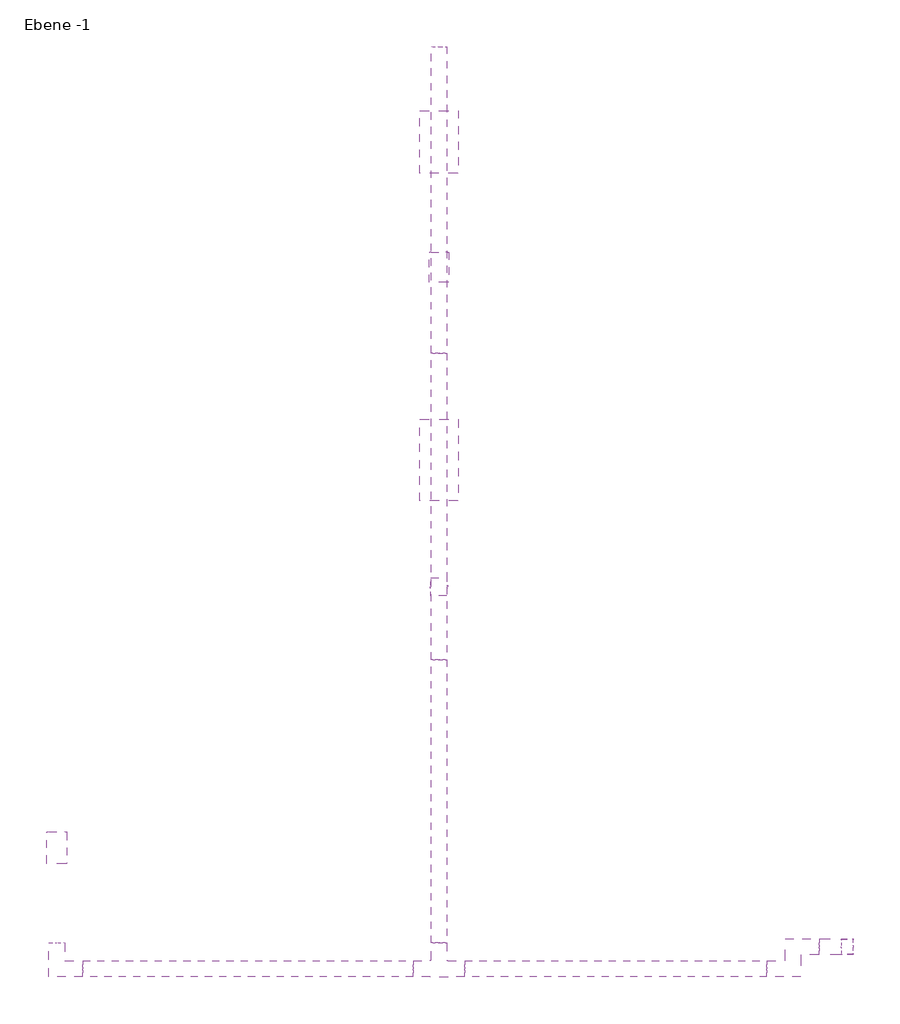
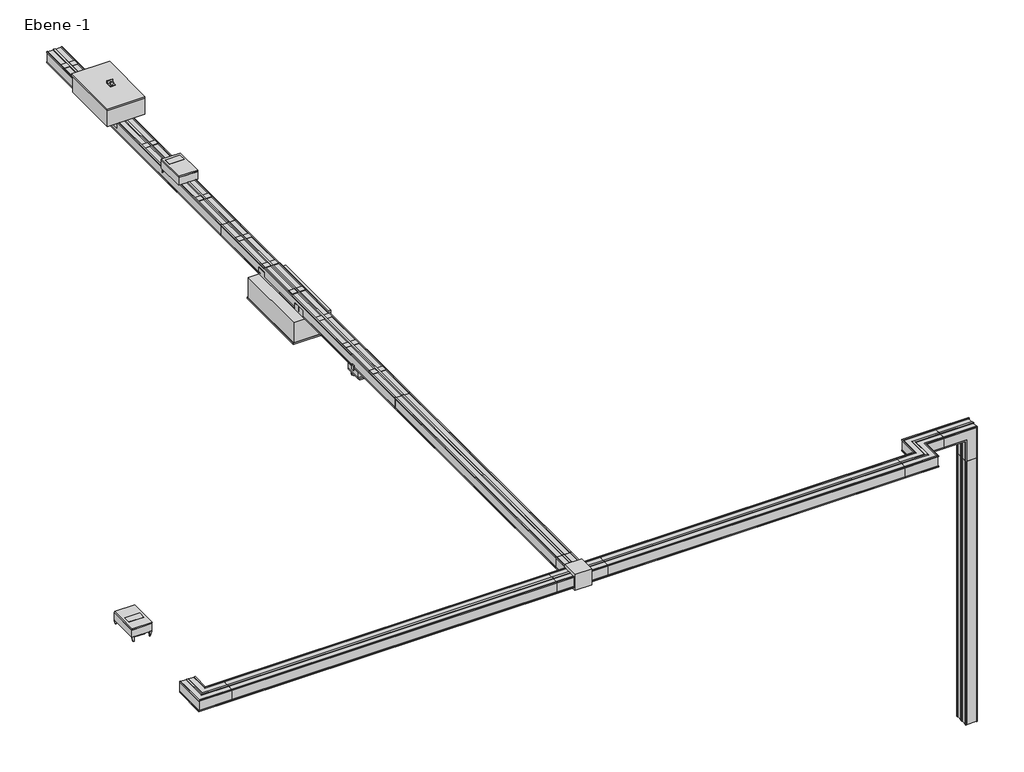
# One storey: 15 proxies.
"""IFC4 building model written with IfcOpenShell, lengths in millimetres."""

import ifcopenshell
import ifcopenshell.guid

model = None  # the IFC model being written
_history = None  # IfcOwnerHistory: only IFC2X3 demands one
_inside = {}  # id of a spatial element -> (the spatial element, [elements in it])
_under = {}  # id of a project, library or spatial element -> (it, [spatial elements below it])
_declared = {}  # id of a project -> (the project, [libraries it declares])
_typed = {}  # id of a type object -> (the type object, [elements of that type])
_made_of = {}  # id of a material, layer set ... -> (it, [elements and type objects made of it])


def new_model(schema):
    """Start an empty IFC model of exactly this schema.

    Asked for "IFC4X3", IfcOpenShell would pick the latest addendum, in which some entities
    have other attributes; the version numbers below select the first issue.
    IFC2X3 requires an IfcOwnerHistory on every rooted entity: one is made here for all.
    """
    global model, _history
    if schema == "IFC4X3":
        model = ifcopenshell.file(schema_version=(4, 3, 0, 0))
    else:
        model = ifcopenshell.file(schema=schema)
    _inside.clear()
    _under.clear()
    _declared.clear()
    _typed.clear()
    _made_of.clear()
    _history = None
    if model.schema == "IFC2X3":
        org = make("IfcOrganization", Name="unknown")
        user = make(
            "IfcPersonAndOrganization",
            ThePerson=make("IfcPerson", FamilyName="unknown"),
            TheOrganization=org,
        )
        app = make(
            "IfcApplication",
            ApplicationDeveloper=org,
            Version="unknown",
            ApplicationFullName="unknown",
            ApplicationIdentifier="unknown",
        )
        _history = make(
            "IfcOwnerHistory",
            OwningUser=user,
            OwningApplication=app,
            ChangeAction="ADDED",
            CreationDate=0,
        )
    return model


def make(cls, **values):
    """One entity of the class cls with the attributes given. An attribute that is None is left unset."""
    return model.create_entity(
        cls, **{name: value for name, value in values.items() if value is not None}
    )


def rooted(cls, **values):
    """An entity with a GlobalId (a new one), such as an element, a storey or a relation."""
    return make(cls, GlobalId=ifcopenshell.guid.new(), OwnerHistory=_history, **values)


def si_unit(unit_type, name, prefix=None):
    """IfcSIUnit, for example si_unit("LENGTHUNIT", "METRE", prefix="MILLI")."""
    return make("IfcSIUnit", UnitType=unit_type, Prefix=prefix, Name=name)


def assignment(units):
    """IfcUnitAssignment: the units of a project."""
    return None if units is None else make("IfcUnitAssignment", Units=units)


def point(xyz):
    """IfcCartesianPoint."""
    return None if xyz is None else make("IfcCartesianPoint", Coordinates=xyz)


def direction(xyz):
    """IfcDirection."""
    return None if xyz is None else make("IfcDirection", DirectionRatios=xyz)


def frame(location, z_axis=None, x_axis=None):
    """IfcAxis2Placement3D, a coordinate frame: its origin and axes. An axis left out is left unset."""
    return make(
        "IfcAxis2Placement3D",
        Location=point(location),
        Axis=direction(z_axis),
        RefDirection=direction(x_axis),
    )


def frame_2d(location, x_axis=None):
    """IfcAxis2Placement2D, a coordinate frame in the plane: its origin and x axis."""
    return make(
        "IfcAxis2Placement2D", Location=point(location), RefDirection=direction(x_axis)
    )


def origin():
    """The frame at (0, 0, 0) with its axes left unset."""
    return frame((0.0, 0.0, 0.0))


def origin_with_axes():
    """The frame at (0, 0, 0) with the z axis (0, 0, 1) and the x axis (1, 0, 0) written out."""
    return frame((0.0, 0.0, 0.0), z_axis=(0.0, 0.0, 1.0), x_axis=(1.0, 0.0, 0.0))


def place(relative_to, where):
    """IfcLocalPlacement: puts the frame where relative to a parent placement (None: the world)."""
    return make(
        "IfcLocalPlacement", PlacementRelTo=relative_to, RelativePlacement=where
    )


def context(
    kind, dimensions, precision=None, world=None, true_north=None, identifier=None
):
    """IfcGeometricRepresentationContext, for example the 3D "Model" context."""
    return make(
        "IfcGeometricRepresentationContext",
        ContextIdentifier=identifier,
        ContextType=kind,
        CoordinateSpaceDimension=dimensions,
        Precision=precision,
        WorldCoordinateSystem=world,
        TrueNorth=true_north,
    )


def project(units=None, contexts=None):
    """IfcProject with its units and contexts."""
    return rooted(
        "IfcProject",
        Name="project",
        RepresentationContexts=contexts,
        UnitsInContext=assignment(units),
    )


def spatial(cls, under=None, at=None, **own):
    """A site, building, storey or space (cls), placed at a placement, below another one or the project."""
    s = rooted(cls, ObjectPlacement=at, **own)
    if under is not None:
        _under.setdefault(under.id(), (under, []))[1].append(s)
    return s


def polyline(points):
    """IfcPolyline through the points."""
    return make("IfcPolyline", Points=[point(p) for p in points])


def circle_curve(where, radius):
    """IfcCircle in the frame where."""
    return make("IfcCircle", Position=where, Radius=radius)


def trimmed(basis, trim1, trim2, sense, master):
    """IfcTrimmedCurve: the piece of a basis curve between two trims."""
    return make(
        "IfcTrimmedCurve",
        BasisCurve=basis,
        Trim1=trim1,
        Trim2=trim2,
        SenseAgreement=sense,
        MasterRepresentation=master,
    )


def segment(curve, same_sense, transition):
    """IfcCompositeCurveSegment."""
    return make(
        "IfcCompositeCurveSegment",
        Transition=transition,
        SameSense=same_sense,
        ParentCurve=curve,
    )


def composite_curve(segments, self_intersect=None):
    """IfcCompositeCurve: segments joined end to end."""
    return make("IfcCompositeCurve", Segments=segments, SelfIntersect=self_intersect)


def outline(outer, holes=None, kind="AREA"):
    """IfcArbitraryClosedProfileDef: a profile drawn as a closed curve; with holes, ...WithVoids."""
    if holes is None:
        return make("IfcArbitraryClosedProfileDef", ProfileType=kind, OuterCurve=outer)
    return make(
        "IfcArbitraryProfileDefWithVoids",
        ProfileType=kind,
        OuterCurve=outer,
        InnerCurves=holes,
    )


def extrude(swept, where, along, depth):
    """IfcExtrudedAreaSolid: the profile swept, set in the frame where, extruded along a direction by depth."""
    return make(
        "IfcExtrudedAreaSolid",
        SweptArea=swept,
        Position=where,
        ExtrudedDirection=direction(along),
        Depth=depth,
    )


def faces_of(points, faces, orient=None, outer=None):
    """IfcFace entities. A face is a list of loops; a loop is a list of indices into points, from 0.

    orient and outer hold one flag for each loop. By default every Orientation is true, the
    first loop of a face is its IfcFaceOuterBound and the others are IfcFaceBound.
    """
    made = []
    for i, loops in enumerate(faces):
        bounds = []
        for j, loop in enumerate(loops):
            is_outer = j == 0 if outer is None else outer[i][j]
            bounds.append(
                make(
                    "IfcFaceOuterBound" if is_outer else "IfcFaceBound",
                    Bound=make("IfcPolyLoop", Polygon=[points[k] for k in loop]),
                    Orientation=True if orient is None else orient[i][j],
                )
            )
        made.append(make("IfcFace", Bounds=bounds))
    return made


def faceted_brep(points, faces, orient=None, outer=None, voids=None):
    """IfcFacetedBrep: a solid bounded by flat faces; with voids (closed shells), ...WithVoids."""
    shared = [point(p) for p in points]
    hull = make("IfcClosedShell", CfsFaces=faces_of(shared, faces, orient, outer))
    if voids is None:
        return make("IfcFacetedBrep", Outer=hull)
    return make(
        "IfcFacetedBrepWithVoids",
        Outer=hull,
        Voids=[
            make(cls, CfsFaces=faces_of(shared, fs, o, b)) for cls, fs, o, b in voids
        ],
    )


def shape(context_of_items, identifier, shape_type, items):
    """IfcShapeRepresentation: the items that make up one representation, for example the "Body"."""
    return make(
        "IfcShapeRepresentation",
        ContextOfItems=context_of_items,
        RepresentationIdentifier=identifier,
        RepresentationType=shape_type,
        Items=items,
    )


def source(mapping_origin, context_of_items, identifier, shape_type, items):
    """IfcRepresentationMap: a shape defined once, which mapped items show again and again."""
    return make(
        "IfcRepresentationMap",
        MappingOrigin=mapping_origin,
        MappedRepresentation=shape(context_of_items, identifier, shape_type, items),
    )


def transform(
    local_origin,
    x_axis=None,
    y_axis=None,
    z_axis=None,
    scale=None,
    scale2=None,
    scale3=None,
    uniform=True,
):
    """IfcCartesianTransformationOperator3D, or its non-uniform kind. x_axis, y_axis, z_axis: its Axis1, 2, 3."""
    if uniform:
        return make(
            "IfcCartesianTransformationOperator3D",
            Axis1=direction(x_axis),
            Axis2=direction(y_axis),
            LocalOrigin=point(local_origin),
            Scale=scale,
            Axis3=direction(z_axis),
        )
    return make(
        "IfcCartesianTransformationOperator3DnonUniform",
        Axis1=direction(x_axis),
        Axis2=direction(y_axis),
        LocalOrigin=point(local_origin),
        Scale=scale,
        Axis3=direction(z_axis),
        Scale2=scale2,
        Scale3=scale3,
    )


def mapped(mapping_source, mapping_target):
    """IfcMappedItem: shows the shape of a source again, moved by a transform."""
    return make(
        "IfcMappedItem", MappingSource=mapping_source, MappingTarget=mapping_target
    )


def made_of(thing, what):
    """Note that an element or type object is made of a material, layer set ...; save() writes the relation."""
    if what is not None:
        _made_of.setdefault(what.id(), (what, []))[1].append(thing)
    return thing


def element(
    cls,
    number,
    at=None,
    inside=None,
    cuts=None,
    type_object=None,
    material=None,
    context=None,
    identifier="Body",
    shape_type=None,
    held_by="IfcProductDefinitionShape",
    body=None,
    shapes=None,
    **own,
):
    """One element of the class cls, such as IfcWall. Its Tag is "e" and its number.

    at: its placement. inside: the storey or other place that contains it. cuts: it is an
    opening in that element (IfcRelVoidsElement). A single representation is given by context,
    identifier, shape_type and body (its items); several are given by shapes. held_by: the class
    of the entity that holds the representations. save() writes the other relations.
    """
    e = rooted(cls, Tag="e%d" % number, ObjectPlacement=at, **own)
    if body is not None:
        shapes = [shape(context, identifier, shape_type, body)]
    if shapes is not None:
        e.Representation = make(held_by, Representations=shapes)
    if inside is not None:
        _inside.setdefault(inside.id(), (inside, []))[1].append(e)
    if cuts is not None:
        rooted(
            "IfcRelVoidsElement", RelatingBuildingElement=cuts, RelatedOpeningElement=e
        )
    if type_object is not None:
        _typed.setdefault(type_object.id(), (type_object, []))[1].append(e)
    return made_of(e, material)


def aggregate(whole, parts):
    """IfcRelAggregates: a whole, such as a stair, and the parts it consists of."""
    return rooted("IfcRelAggregates", RelatingObject=whole, RelatedObjects=parts)


def save(model, path):
    """Write the relations noted so far, then the file.

    IfcRelAggregates (storeys below a building ...), IfcRelContainedInSpatialStructure (elements
    in a storey), IfcRelDefinesByType, IfcRelAssociatesMaterial and IfcRelDeclares: one each for
    every whole, place, type object, material and project.
    """
    for whole, parts in _under.values():
        aggregate(whole, parts)
    for where, things in _inside.values():
        rooted(
            "IfcRelContainedInSpatialStructure",
            RelatedElements=things,
            RelatingStructure=where,
        )
    for kind, things in _typed.values():
        rooted("IfcRelDefinesByType", RelatedObjects=things, RelatingType=kind)
    for what, things in _made_of.values():
        rooted("IfcRelAssociatesMaterial", RelatedObjects=things, RelatingMaterial=what)
    for by, libraries in _declared.values():
        rooted("IfcRelDeclares", RelatingContext=by, RelatedDefinitions=libraries)
    model.write(path)


def electrical_fixtures_858c5d2e(model_context):
    return source(origin(), model_context, "Body", "SweptSolid", [
        extrude(outline(polyline([(0.0, -55.0), (0.0, 55.0), (10.0, 55.0), (10.0, -55.0), (0.0, -55.0)])), frame((0.0, 0.0, -40.0), z_axis=(0.0, 0.0, 1.0), x_axis=(1.0, 0.0, 0.0)), (0.0, 0.0, 1.0), 40.0),
        extrude(outline(polyline([(-93.5, -30.0), (-93.5, 24.0), (-88.5, 24.0), (-88.5, 0.0), (-83.5, 0.0), (-83.5, -10.0), (-78.5, -10.0), (-78.5, -20.0), (-83.5, -20.0), (-83.5, -30.0), (-93.5, -30.0)])), frame((40.0, 0.0, 0.0), z_axis=(1.0, 0.0, 0.0), x_axis=(0.0, 1.0, 0.0)), (0.0, 0.0, 1.0), 30.0),
        extrude(outline(polyline([(93.5, -30.0), (83.5, -30.0), (83.5, -20.0), (78.5, -20.0), (78.5, -10.0), (83.5, -10.0), (83.5, 0.0), (88.5, 0.0), (88.5, 24.0), (93.5, 24.0), (93.5, -30.0)])), frame((40.0, 0.0, 0.0), z_axis=(1.0, 0.0, 0.0), x_axis=(0.0, 1.0, 0.0)), (0.0, 0.0, 1.0), 30.0),
        extrude(outline(polyline([(-10.0, 50.0), (50.0, 50.0), (50.0, -50.0), (-10.0, -50.0), (-10.0, 50.0)])), frame((0.0, 0.0, 75.0), z_axis=(0.0, 0.0, 1.0), x_axis=(1.0, 0.0, 0.0)), (0.0, 0.0, 1.0), 44.0),
        extrude(outline(composite_curve([segment(trimmed(circle_curve(frame_2d((105.0, -45.0)), 29.0), [point((105.0, -16.0))], [point((105.0, -74.0))], False, "CARTESIAN"), True, "CONTINUOUS"), segment(trimmed(circle_curve(frame_2d((105.0, -45.0)), 29.0), [point((105.0, -74.0))], [point((105.0, -16.0))], False, "CARTESIAN"), True, "CONTINUOUS")], self_intersect=False)), frame((0.0, 0.0, 75.0), z_axis=(0.0, 0.0, 1.0), x_axis=(1.0, 0.0, 0.0)), (0.0, 0.0, 1.0), 44.0),
        extrude(outline(composite_curve([segment(trimmed(circle_curve(frame_2d((105.0, 45.0)), 29.0), [point((105.0, 74.0))], [point((105.0, 16.0))], False, "CARTESIAN"), True, "CONTINUOUS"), segment(trimmed(circle_curve(frame_2d((105.0, 45.0)), 29.0), [point((105.0, 16.0))], [point((105.0, 74.0))], False, "CARTESIAN"), True, "CONTINUOUS")], self_intersect=False)), frame((0.0, 0.0, 75.0), z_axis=(0.0, 0.0, 1.0), x_axis=(1.0, 0.0, 0.0)), (0.0, 0.0, 1.0), 44.0),
        extrude(outline(polyline([(-40.0, -85.0), (-40.0, 85.0), (150.0, 85.0), (150.0, -85.0), (-40.0, -85.0)])), origin_with_axes(), (0.0, 0.0, 1.0), 58.0),
        extrude(outline(polyline([(-40.0, -85.0), (-40.0, 85.0), (150.0, 85.0), (150.0, -85.0), (-40.0, -85.0)])), frame((0.0, 0.0, 60.0), z_axis=(0.0, 0.0, 1.0), x_axis=(1.0, 0.0, 0.0)), (0.0, 0.0, 1.0), 15.0),
    ])


def electrical_fixtures_62980d1a(model_context):
    return source(origin(), model_context, "Body", "SweptSolid", [
        extrude(outline(polyline([(-78.5, -10.0), (-78.5, -20.0), (-83.5, -20.0), (-83.5, -54.0), (-93.5, -54.0), (-107.0, -10.0), (-107.0, 0.0), (-83.5, 0.0), (-83.5, -10.0), (-78.5, -10.0)])), frame((289.0, 0.0, 0.0), z_axis=(1.0, 0.0, 0.0), x_axis=(0.0, 1.0, 0.0)), (0.0, 0.0, 1.0), 2.0),
        extrude(outline(polyline([(78.5, -10.0), (83.5, -10.0), (83.5, 0.0), (107.0, 0.0), (107.0, -10.0), (93.5, -54.0), (83.5, -54.0), (83.5, -20.0), (78.5, -20.0), (78.5, -10.0)])), frame((289.0, 0.0, 0.0), z_axis=(1.0, 0.0, 0.0), x_axis=(0.0, 1.0, 0.0)), (0.0, 0.0, 1.0), 2.0),
        extrude(outline(polyline([(101.0, 279.4529946), (101.0, -51.5470054), (81.0, -40.0), (81.0, 291.0), (101.0, 279.4529946)])), frame((0.0, -107.0, 0.0), z_axis=(0.0, 1.0, 0.0), x_axis=(0.0, 0.0, 1.0)), (0.0, 0.0, 1.0), 214.0),
        extrude(outline(polyline([(0.0, -55.0), (0.0, 55.0), (10.0, 55.0), (10.0, -55.0), (0.0, -55.0)])), frame((0.0, 0.0, -40.0), z_axis=(0.0, 0.0, 1.0), x_axis=(1.0, 0.0, 0.0)), (0.0, 0.0, 1.0), 40.0),
        extrude(outline(polyline([(60.0, -80.0), (60.0, 80.0), (137.0, 80.0), (137.0, -80.0), (60.0, -80.0)])), frame((0.0, 0.0, 101.0), z_axis=(0.0, 0.0, 1.0), x_axis=(1.0, 0.0, 0.0)), (0.0, 0.0, 1.0), 2.0),
        extrude(outline(polyline([(-78.5, -10.0), (-78.5, -20.0), (-83.5, -20.0), (-83.5, -54.0), (-93.5, -54.0), (-107.0, -10.0), (-107.0, 0.0), (-83.5, 0.0), (-83.5, -10.0), (-78.5, -10.0)])), frame((-40.0, 0.0, 0.0), z_axis=(1.0, 0.0, 0.0), x_axis=(0.0, 1.0, 0.0)), (0.0, 0.0, 1.0), 2.0),
        extrude(outline(polyline([(78.5, -10.0), (83.5, -10.0), (83.5, 0.0), (107.0, 0.0), (107.0, -10.0), (93.5, -54.0), (83.5, -54.0), (83.5, -20.0), (78.5, -20.0), (78.5, -10.0)])), frame((-40.0, 0.0, 0.0), z_axis=(1.0, 0.0, 0.0), x_axis=(0.0, 1.0, 0.0)), (0.0, 0.0, 1.0), 2.0),
        extrude(outline(polyline([(-40.0, -107.0), (-40.0, 107.0), (291.0, 107.0), (291.0, -107.0), (-40.0, -107.0)])), origin_with_axes(), (0.0, 0.0, 1.0), 81.0),
    ])


def electrical_fixtures_8e31a2f9(model_context):
    return source(origin(), model_context, "Body", "SweptSolid", [
        extrude(outline(polyline([(209.5, -40.0), (209.5, 19.6236902), (214.5, 19.6236902), (214.5, -40.0), (209.5, -40.0)])), frame((0.0, 0.0, 232.0), z_axis=(0.0, 0.0, 1.0), x_axis=(1.0, 0.0, 0.0)), (0.0, 0.0, 1.0), 30.0),
        extrude(outline(composite_curve([segment(trimmed(circle_curve(frame_2d((212.0, -27.5)), 15.0), [point((212.0, -12.5))], [point((212.0, -42.5))], False, "CARTESIAN"), True, "CONTINUOUS"), segment(trimmed(circle_curve(frame_2d((212.0, -27.5)), 15.0), [point((212.0, -42.5))], [point((212.0, -12.5))], False, "CARTESIAN"), True, "CONTINUOUS")], self_intersect=False)), frame((0.0, 0.0, 202.0), z_axis=(0.0, 0.0, 1.0), x_axis=(1.0, 0.0, 0.0)), (0.0, 0.0, 1.0), 40.0),
        extrude(outline(polyline([(184.5, -55.0), (184.5, 0.0), (239.5, 0.0), (239.5, -55.0), (184.5, -55.0)])), frame((0.0, 0.0, 202.0), z_axis=(0.0, 0.0, 1.0), x_axis=(1.0, 0.0, 0.0)), (0.0, 0.0, 1.0), 10.0),
        extrude(outline(polyline([(0.0, -80.0), (-75.0, -80.0), (-75.0, -10.0), (-15.0, -10.0), (-15.0, 5.0), (-75.0, 5.0), (-75.0, 65.0), (-20.0, 65.0), (-20.0, 442.0), (-75.0, 442.0), (-75.0, 537.0), (-30.0, 537.0), (-30.0, 512.0), (-20.0, 512.0), (-20.0, 537.0), (0.0, 537.0), (0.0, -80.0)])), frame((0.0, -85.5, 0.0), z_axis=(0.0, 1.0, 0.0), x_axis=(0.0, 0.0, 1.0)), (0.0, 0.0, 1.0), 2.0),
        extrude(outline(polyline([(0.0, -80.0), (-75.0, -80.0), (-75.0, -10.0), (-15.0, -10.0), (-15.0, 5.0), (-75.0, 5.0), (-75.0, 65.0), (-20.0, 65.0), (-20.0, 442.0), (-75.0, 442.0), (-75.0, 537.0), (-30.0, 537.0), (-30.0, 512.0), (-20.0, 512.0), (-20.0, 537.0), (0.0, 537.0), (0.0, -80.0)])), frame((0.0, 83.5, 0.0), z_axis=(0.0, 1.0, 0.0), x_axis=(0.0, 0.0, 1.0)), (0.0, 0.0, 1.0), 2.0),
        extrude(outline(polyline([(552.0, -203.0), (-110.0, -203.0), (-110.0, 203.0), (552.0, 203.0), (552.0, -203.0)])), frame((0.0, 0.0, 182.0), z_axis=(0.0, 0.0, 1.0), x_axis=(1.0, 0.0, 0.0)), (0.0, 0.0, 1.0), 20.0),
        extrude(outline(polyline([(0.0, -55.0), (0.0, 55.0), (10.0, 55.0), (10.0, -55.0), (0.0, -55.0)])), frame((0.0, 0.0, -40.0), z_axis=(0.0, 0.0, 1.0), x_axis=(1.0, 0.0, 0.0)), (0.0, 0.0, 1.0), 40.0),
        extrude(outline(polyline([(-110.0, -201.0), (-110.0, 201.0), (537.0, 201.0), (537.0, -201.0), (-110.0, -201.0)])), origin_with_axes(), (0.0, 0.0, 1.0), 182.0),
    ])


def electrical_fixtures_8c5bbe8f(model_context):
    return source(origin(), model_context, "Body", "SweptSolid", [
        extrude(outline(polyline([(409.5, -40.0), (409.5, 19.6236902), (414.5, 19.6236902), (414.5, -40.0), (409.5, -40.0)])), frame((0.0, 0.0, 297.0), z_axis=(0.0, 0.0, 1.0), x_axis=(1.0, 0.0, 0.0)), (0.0, 0.0, 1.0), 35.0),
        extrude(outline(composite_curve([segment(trimmed(circle_curve(frame_2d((412.0, -27.5)), 15.0), [point((412.0, -12.5))], [point((412.0, -42.5))], False, "CARTESIAN"), True, "CONTINUOUS"), segment(trimmed(circle_curve(frame_2d((412.0, -27.5)), 15.0), [point((412.0, -42.5))], [point((412.0, -12.5))], False, "CARTESIAN"), True, "CONTINUOUS")], self_intersect=False)), frame((0.0, 0.0, 252.0), z_axis=(0.0, 0.0, 1.0), x_axis=(1.0, 0.0, 0.0)), (0.0, 0.0, 1.0), 55.0),
        extrude(outline(polyline([(384.5, -55.0), (384.5, 0.0), (439.5, 0.0), (439.5, -55.0), (384.5, -55.0)])), frame((0.0, 0.0, 252.0), z_axis=(0.0, 0.0, 1.0), x_axis=(1.0, 0.0, 0.0)), (0.0, 0.0, 1.0), 10.0),
        extrude(outline(polyline([(0.0, -80.0), (-75.0, -80.0), (-75.0, -10.0), (-15.0, -10.0), (-15.0, 5.0), (-75.0, 5.0), (-75.0, 65.0), (-20.0, 65.0), (-20.0, 642.0), (-75.0, 642.0), (-75.0, 737.0), (-30.0, 737.0), (-30.0, 712.0), (-20.0, 712.0), (-20.0, 737.0), (0.0, 737.0), (0.0, -80.0)])), frame((0.0, -85.5, 0.0), z_axis=(0.0, 1.0, 0.0), x_axis=(0.0, 0.0, 1.0)), (0.0, 0.0, 1.0), 2.0),
        extrude(outline(polyline([(0.0, -80.0), (-75.0, -80.0), (-75.0, -10.0), (-15.0, -10.0), (-15.0, 5.0), (-75.0, 5.0), (-75.0, 65.0), (-20.0, 65.0), (-20.0, 642.0), (-75.0, 642.0), (-75.0, 737.0), (-30.0, 737.0), (-30.0, 712.0), (-20.0, 712.0), (-20.0, 737.0), (0.0, 737.0), (0.0, -80.0)])), frame((0.0, 83.5, 0.0), z_axis=(0.0, 1.0, 0.0), x_axis=(0.0, 0.0, 1.0)), (0.0, 0.0, 1.0), 2.0),
        extrude(outline(polyline([(752.0, -203.0), (-110.0, -203.0), (-110.0, 203.0), (752.0, 203.0), (752.0, -203.0)])), frame((0.0, 0.0, 232.0), z_axis=(0.0, 0.0, 1.0), x_axis=(1.0, 0.0, 0.0)), (0.0, 0.0, 1.0), 20.0),
        extrude(outline(polyline([(0.0, -55.0), (0.0, 55.0), (10.0, 55.0), (10.0, -55.0), (0.0, -55.0)])), frame((0.0, 0.0, -40.0), z_axis=(0.0, 0.0, 1.0), x_axis=(1.0, 0.0, 0.0)), (0.0, 0.0, 1.0), 40.0),
        extrude(outline(polyline([(-110.0, -201.0), (-110.0, 201.0), (737.0, 201.0), (737.0, -201.0), (-110.0, -201.0)])), origin_with_axes(), (0.0, 0.0, 1.0), 232.0),
    ])


def electrical_fixtures_50f5d7ba(model_context):
    return source(origin(), model_context, "Body", "SweptSolid", [
        extrude(outline(polyline([(290.0, 80.0), (290.0, -80.0), (213.0, -80.0), (213.0, 80.0), (290.0, 80.0)])), frame((0.0, 0.0, 101.0), z_axis=(0.0, 0.0, 1.0), x_axis=(1.0, 0.0, 0.0)), (0.0, 0.0, 1.0), 2.0),
        extrude(outline(polyline([(78.5, -10.0), (83.5, -10.0), (83.5, 24.0), (93.5, 24.0), (93.5, -54.0), (83.5, -54.0), (83.5, -20.0), (78.5, -20.0), (78.5, -10.0)])), frame((320.0, 0.0, 0.0), z_axis=(1.0, 0.0, 0.0), x_axis=(0.0, 1.0, 0.0)), (0.0, 0.0, 1.0), 2.0),
        extrude(outline(polyline([(-78.5, -10.0), (-78.5, -20.0), (-83.5, -20.0), (-83.5, -54.0), (-93.5, -54.0), (-93.5, 24.0), (-83.5, 24.0), (-83.5, -10.0), (-78.5, -10.0)])), frame((320.0, 0.0, 0.0), z_axis=(1.0, 0.0, 0.0), x_axis=(0.0, 1.0, 0.0)), (0.0, 0.0, 1.0), 2.0),
        extrude(outline(polyline([(320.0, 102.5), (320.0, -102.5), (0.0, -102.5), (0.0, 102.5), (320.0, 102.5)])), origin_with_axes(), (0.0, 0.0, 1.0), 84.0),
        extrude(outline(polyline([(320.0, 102.5), (320.0, -102.5), (0.0, -102.5), (0.0, 102.5), (320.0, 102.5)])), frame((0.0, 0.0, 86.0), z_axis=(0.0, 0.0, 1.0), x_axis=(1.0, 0.0, 0.0)), (0.0, 0.0, 1.0), 15.0),
    ])


def bd2_change_direction_ace0dc37(model_context):
    return source(origin(), model_context, "Body", "Brep", [
        faceted_brep([(0.0, 167.0, 126.0), (0.0, 167.0, 116.0), (0.0, 162.0, 116.0), (0.0, 162.0, 10.0), (0.0, 167.0, 10.0), (0.0, 167.0, 0.0), (0.0, 157.0, 0.0), (0.0, 152.0, 5.0), (0.0, 98.5, 5.0), (0.0, 93.5, 0.0), (0.0, 73.5, 0.0), (0.0, 68.5, 5.0), (0.0, 15.0, 5.0), (0.0, 10.0, 0.0), (0.0, 0.0, 0.0), (0.0, 0.0, 10.0), (0.0, 5.0, 10.0), (0.0, 5.0, 116.0), (0.0, 0.0, 116.0), (0.0, 0.0, 126.0), (0.0, 10.0, 126.0), (0.0, 15.0, 121.0), (0.0, 68.5, 121.0), (0.0, 73.5, 126.0), (0.0, 93.5, 126.0), (0.0, 98.5, 121.0), (0.0, 152.0, 121.0), (0.0, 157.0, 126.0), (360.0, -193.0, 126.0), (350.0, -193.0, 126.0), (345.0, -193.0, 121.0), (291.5, -193.0, 121.0), (286.5, -193.0, 126.0), (266.5, -193.0, 126.0), (261.5, -193.0, 121.0), (208.0, -193.0, 121.0), (203.0, -193.0, 126.0), (193.0, -193.0, 126.0), (193.0, -193.0, 116.0), (198.0, -193.0, 116.0), (198.0, -193.0, 10.0), (193.0, -193.0, 10.0), (193.0, -193.0, 0.0), (203.0, -193.0, 0.0), (208.0, -193.0, 5.0), (261.5, -193.0, 5.0), (266.5, -193.0, 0.0), (286.5, -193.0, 0.0), (291.5, -193.0, 5.0), (345.0, -193.0, 5.0), (350.0, -193.0, 0.0), (360.0, -193.0, 0.0), (360.0, -193.0, 10.0), (355.0, -193.0, 10.0), (355.0, -193.0, 116.0), (360.0, -193.0, 116.0), (360.0, 167.0, 126.0), (360.0, 167.0, 116.0), (355.0, 162.0, 116.0), (355.0, 162.0, 10.0), (360.0, 167.0, 10.0), (360.0, 167.0, 0.0), (350.0, 157.0, 0.0), (345.0, 152.0, 5.0), (291.5, 98.5, 5.0), (286.5, 93.5, 0.0), (266.5, 73.5, 0.0), (261.5, 68.5, 5.0), (208.0, 15.0, 5.0), (203.0, 10.0, 0.0), (193.0, 0.0, 0.0), (193.0, 0.0, 10.0), (198.0, 5.0, 10.0), (198.0, 5.0, 116.0), (193.0, 0.0, 116.0), (193.0, 0.0, 126.0), (203.0, 10.0, 126.0), (208.0, 15.0, 121.0), (261.5, 68.5, 121.0), (266.5, 73.5, 126.0), (286.5, 93.5, 126.0), (291.5, 98.5, 121.0), (345.0, 152.0, 121.0), (350.0, 157.0, 126.0)], [[[0, 1, 2, 3, 4, 5, 6, 7, 8, 9, 10, 11, 12, 13, 14, 15, 16, 17, 18, 19, 20, 21, 22, 23, 24, 25, 26, 27]], [[28, 29, 30, 31, 32, 33, 34, 35, 36, 37, 38, 39, 40, 41, 42, 43, 44, 45, 46, 47, 48, 49, 50, 51, 52, 53, 54, 55]], [[1, 0, 56, 57]], [[2, 1, 57, 55, 54, 58]], [[3, 2, 58, 59]], [[4, 3, 59, 53, 52, 60]], [[5, 4, 60, 61]], [[6, 5, 61, 51, 50, 62]], [[7, 6, 62, 63]], [[8, 7, 63, 49, 48, 64]], [[9, 8, 64, 65]], [[10, 9, 65, 47, 46, 66]], [[11, 10, 66, 67]], [[12, 11, 67, 45, 44, 68]], [[13, 12, 68, 69]], [[14, 13, 69, 43, 42, 70]], [[15, 14, 70, 71]], [[16, 15, 71, 41, 40, 72]], [[17, 16, 72, 73]], [[18, 17, 73, 39, 38, 74]], [[19, 18, 74, 75]], [[20, 19, 75, 37, 36, 76]], [[21, 20, 76, 77]], [[22, 21, 77, 35, 34, 78]], [[23, 22, 78, 79]], [[24, 23, 79, 33, 32, 80]], [[25, 24, 80, 81]], [[26, 25, 81, 31, 30, 82]], [[27, 26, 82, 83]], [[0, 27, 83, 29, 28, 56]], [[57, 56, 28, 55]], [[59, 58, 54, 53]], [[61, 60, 52, 51]], [[63, 62, 50, 49]], [[65, 64, 48, 47]], [[67, 66, 46, 45]], [[69, 68, 44, 43]], [[71, 70, 42, 41]], [[73, 72, 40, 39]], [[75, 74, 38, 37]], [[77, 76, 36, 35]], [[79, 78, 34, 33]], [[81, 80, 32, 31]], [[83, 82, 30, 29]]]),
    ])


def bd2_change_direction_f549245e(model_context):
    return source(origin(), model_context, "Body", "Brep", [
        faceted_brep([(0.0, 162.0, 116.0), (0.0, 162.0, 10.0), (0.0, 167.0, 10.0), (0.0, 167.0, 0.0), (0.0, 157.0, 0.0), (0.0, 152.0, 5.0), (0.0, 98.5, 5.0), (0.0, 93.5, 0.0), (0.0, 73.5, 0.0), (0.0, 68.5, 5.0), (0.0, 15.0, 5.0), (0.0, 10.0, 0.0), (0.0, 0.0, 0.0), (0.0, 0.0, 10.0), (0.0, 5.0, 10.0), (0.0, 5.0, 116.0), (0.0, 0.0, 116.0), (0.0, 0.0, 126.0), (0.0, 10.0, 126.0), (0.0, 15.0, 121.0), (0.0, 68.5, 121.0), (0.0, 73.5, 126.0), (0.0, 93.5, 126.0), (0.0, 98.5, 121.0), (0.0, 152.0, 121.0), (0.0, 157.0, 126.0), (0.0, 167.0, 126.0), (0.0, 167.0, 116.0), (350.0, 162.0, -234.0), (350.0, 167.0, -234.0), (360.0, 167.0, -234.0), (360.0, 157.0, -234.0), (355.0, 152.0, -234.0), (355.0, 98.5, -234.0), (360.0, 93.5, -234.0), (360.0, 73.5, -234.0), (355.0, 68.5, -234.0), (355.0, 15.0, -234.0), (360.0, 10.0, -234.0), (360.0, 0.0, -234.0), (350.0, 0.0, -234.0), (350.0, 5.0, -234.0), (244.0, 5.0, -234.0), (244.0, 0.0, -234.0), (234.0, 0.0, -234.0), (234.0, 10.0, -234.0), (239.0, 15.0, -234.0), (239.0, 68.5, -234.0), (234.0, 73.5, -234.0), (234.0, 93.5, -234.0), (239.0, 98.5, -234.0), (239.0, 152.0, -234.0), (234.0, 157.0, -234.0), (234.0, 167.0, -234.0), (244.0, 167.0, -234.0), (244.0, 162.0, -234.0), (350.0, 162.0, 116.0), (244.0, 162.0, 10.0), (244.0, 167.0, 10.0), (234.0, 167.0, 0.0), (234.0, 157.0, 0.0), (239.0, 152.0, 5.0), (239.0, 98.5, 5.0), (234.0, 93.5, 0.0), (234.0, 73.5, 0.0), (239.0, 68.5, 5.0), (239.0, 15.0, 5.0), (234.0, 10.0, 0.0), (234.0, 0.0, 0.0), (244.0, 0.0, 10.0), (244.0, 5.0, 10.0), (350.0, 5.0, 116.0), (350.0, 0.0, 116.0), (360.0, 0.0, 126.0), (360.0, 10.0, 126.0), (355.0, 15.0, 121.0), (355.0, 68.5, 121.0), (360.0, 73.5, 126.0), (360.0, 93.5, 126.0), (355.0, 98.5, 121.0), (355.0, 152.0, 121.0), (360.0, 157.0, 126.0), (360.0, 167.0, 126.0), (350.0, 167.0, 116.0)], [[[0, 1, 2, 3, 4, 5, 6, 7, 8, 9, 10, 11, 12, 13, 14, 15, 16, 17, 18, 19, 20, 21, 22, 23, 24, 25, 26, 27]], [[28, 29, 30, 31, 32, 33, 34, 35, 36, 37, 38, 39, 40, 41, 42, 43, 44, 45, 46, 47, 48, 49, 50, 51, 52, 53, 54, 55]], [[1, 0, 56, 28, 55, 57]], [[2, 1, 57, 58]], [[3, 2, 58, 54, 53, 59]], [[4, 3, 59, 60]], [[5, 4, 60, 61]], [[6, 5, 61, 62]], [[7, 6, 62, 63]], [[8, 7, 63, 64]], [[9, 8, 64, 65]], [[10, 9, 65, 66]], [[11, 10, 66, 67]], [[12, 11, 67, 68]], [[13, 12, 68, 44, 43, 69]], [[14, 13, 69, 70]], [[15, 14, 70, 42, 41, 71]], [[16, 15, 71, 72]], [[17, 16, 72, 40, 39, 73]], [[18, 17, 73, 74]], [[19, 18, 74, 75]], [[20, 19, 75, 76]], [[21, 20, 76, 77]], [[22, 21, 77, 78]], [[23, 22, 78, 79]], [[24, 23, 79, 80]], [[25, 24, 80, 81]], [[26, 25, 81, 82]], [[27, 26, 82, 30, 29, 83]], [[0, 27, 83, 56]], [[58, 57, 55, 54]], [[60, 59, 53, 52]], [[61, 60, 52, 51]], [[62, 61, 51, 50]], [[63, 62, 50, 49]], [[64, 63, 49, 48]], [[65, 64, 48, 47]], [[66, 65, 47, 46]], [[67, 66, 46, 45]], [[68, 67, 45, 44]], [[70, 69, 43, 42]], [[72, 71, 41, 40]], [[74, 73, 39, 38]], [[75, 74, 38, 37]], [[76, 75, 37, 36]], [[77, 76, 36, 35]], [[78, 77, 35, 34]], [[79, 78, 34, 33]], [[80, 79, 33, 32]], [[81, 80, 32, 31]], [[82, 81, 31, 30]], [[56, 83, 29, 28]]]),
    ])


def bd2_t_unit_907416fb(model_context):
    return source(origin(), model_context, "Body", "SweptSolid", [
        extrude(outline(polyline([(367.0, 175.5), (367.0, -8.5), (183.0, -8.5), (183.0, 175.5), (367.0, 175.5)])), frame((0.0, 0.0, -29.0), z_axis=(0.0, 0.0, 1.0), x_axis=(1.0, 0.0, 0.0)), (0.0, 0.0, 1.0), 184.0),
        extrude(outline(polyline([(126.0, 201.5), (126.0, 191.5), (116.0, 191.5), (116.0, 196.5), (10.0, 196.5), (10.0, 191.5), (0.0, 191.5), (0.0, 201.5), (5.0, 206.5), (5.0, 260.0), (0.0, 265.0), (0.0, 285.0), (5.0, 290.0), (5.0, 343.5), (0.0, 348.5), (0.0, 358.5), (10.0, 358.5), (10.0, 353.5), (116.0, 353.5), (116.0, 358.5), (126.0, 358.5), (126.0, 348.5), (121.0, 343.5), (121.0, 290.0), (126.0, 285.0), (126.0, 265.0), (121.0, 260.0), (121.0, 206.5), (126.0, 201.5)])), frame((0.0, -191.5, 0.0), z_axis=(0.0, 1.0, 0.0), x_axis=(0.0, 0.0, 1.0)), (0.0, 0.0, 1.0), 275.0),
        extrude(outline(polyline([(167.0, 126.0), (167.0, 116.0), (162.0, 116.0), (162.0, 10.0), (167.0, 10.0), (167.0, 0.0), (157.0, 0.0), (152.0, 5.0), (98.5, 5.0), (93.5, 0.0), (73.5, 0.0), (68.5, 5.0), (15.0, 5.0), (10.0, 0.0), (0.0, 0.0), (0.0, 10.0), (5.0, 10.0), (5.0, 116.0), (0.0, 116.0), (0.0, 126.0), (10.0, 126.0), (15.0, 121.0), (68.5, 121.0), (73.5, 126.0), (93.5, 126.0), (98.5, 121.0), (152.0, 121.0), (157.0, 126.0), (167.0, 126.0)])), frame((0.0, 0.0, 0.0), z_axis=(1.0, 0.0, 0.0), x_axis=(0.0, 1.0, 0.0)), (0.0, 0.0, 1.0), 550.0),
    ])


def bd2_z_unit_99e53c8b(model_context):
    return source(origin(), model_context, "Body", "Brep", [
        faceted_brep([(0.0, 167.0, 126.0), (0.0, 167.0, 116.0), (0.0, 162.0, 116.0), (0.0, 162.0, 10.0), (0.0, 167.0, 10.0), (0.0, 167.0, 0.0), (0.0, 157.0, 0.0), (0.0, 152.0, 5.0), (0.0, 98.5, 5.0), (0.0, 93.5, 0.0), (0.0, 73.5, 0.0), (0.0, 68.5, 5.0), (0.0, 15.0, 5.0), (0.0, 10.0, 0.0), (0.0, 0.0, 0.0), (0.0, 0.0, 10.0), (0.0, 5.0, 10.0), (0.0, 5.0, 116.0), (0.0, 0.0, 116.0), (0.0, 0.0, 126.0), (0.0, 10.0, 126.0), (0.0, 15.0, 121.0), (0.0, 68.5, 121.0), (0.0, 73.5, 126.0), (0.0, 93.5, 126.0), (0.0, 98.5, 121.0), (0.0, 152.0, 121.0), (0.0, 157.0, 126.0), (553.0, 400.0, 126.0), (553.0, 390.0, 126.0), (553.0, 385.0, 121.0), (553.0, 331.5, 121.0), (553.0, 326.5, 126.0), (553.0, 306.5, 126.0), (553.0, 301.5, 121.0), (553.0, 248.0, 121.0), (553.0, 243.0, 126.0), (553.0, 233.0, 126.0), (553.0, 233.0, 116.0), (553.0, 238.0, 116.0), (553.0, 238.0, 10.0), (553.0, 233.0, 10.0), (553.0, 233.0, 0.0), (553.0, 243.0, 0.0), (553.0, 248.0, 5.0), (553.0, 301.5, 5.0), (553.0, 306.5, 0.0), (553.0, 326.5, 0.0), (553.0, 331.5, 5.0), (553.0, 385.0, 5.0), (553.0, 390.0, 0.0), (553.0, 400.0, 0.0), (553.0, 400.0, 10.0), (553.0, 395.0, 10.0), (553.0, 395.0, 116.0), (553.0, 400.0, 116.0), (193.0, 167.0, 126.0), (193.0, 167.0, 116.0), (193.0, 400.0, 116.0), (198.0, 395.0, 116.0), (198.0, 162.0, 116.0), (198.0, 162.0, 10.0), (198.0, 395.0, 10.0), (193.0, 400.0, 10.0), (193.0, 167.0, 10.0), (193.0, 167.0, 0.0), (193.0, 400.0, 0.0), (203.0, 390.0, 0.0), (203.0, 157.0, 0.0), (208.0, 152.0, 5.0), (208.0, 385.0, 5.0), (261.5, 331.5, 5.0), (261.5, 98.5, 5.0), (266.5, 93.5, 0.0), (266.5, 326.5, 0.0), (286.5, 306.5, 0.0), (286.5, 73.5, 0.0), (291.5, 68.5, 5.0), (291.5, 301.5, 5.0), (345.0, 248.0, 5.0), (345.0, 15.0, 5.0), (350.0, 10.0, 0.0), (350.0, 243.0, 0.0), (360.0, 233.0, 0.0), (360.0, 0.0, 0.0), (360.0, 0.0, 10.0), (360.0, 233.0, 10.0), (355.0, 238.0, 10.0), (355.0, 5.0, 10.0), (355.0, 5.0, 116.0), (355.0, 238.0, 116.0), (360.0, 233.0, 116.0), (360.0, 0.0, 116.0), (360.0, 0.0, 126.0), (360.0, 233.0, 126.0), (350.0, 243.0, 126.0), (350.0, 10.0, 126.0), (345.0, 15.0, 121.0), (345.0, 248.0, 121.0), (291.5, 301.5, 121.0), (291.5, 68.5, 121.0), (286.5, 73.5, 126.0), (286.5, 306.5, 126.0), (266.5, 326.5, 126.0), (266.5, 93.5, 126.0), (261.5, 98.5, 121.0), (261.5, 331.5, 121.0), (208.0, 385.0, 121.0), (208.0, 152.0, 121.0), (203.0, 157.0, 126.0), (203.0, 390.0, 126.0), (193.0, 400.0, 126.0)], [[[0, 1, 2, 3, 4, 5, 6, 7, 8, 9, 10, 11, 12, 13, 14, 15, 16, 17, 18, 19, 20, 21, 22, 23, 24, 25, 26, 27]], [[28, 29, 30, 31, 32, 33, 34, 35, 36, 37, 38, 39, 40, 41, 42, 43, 44, 45, 46, 47, 48, 49, 50, 51, 52, 53, 54, 55]], [[1, 0, 56, 57]], [[2, 1, 57, 58, 55, 54, 59, 60]], [[3, 2, 60, 61]], [[4, 3, 61, 62, 53, 52, 63, 64]], [[5, 4, 64, 65]], [[6, 5, 65, 66, 51, 50, 67, 68]], [[7, 6, 68, 69]], [[8, 7, 69, 70, 49, 48, 71, 72]], [[9, 8, 72, 73]], [[10, 9, 73, 74, 47, 46, 75, 76]], [[11, 10, 76, 77]], [[12, 11, 77, 78, 45, 44, 79, 80]], [[13, 12, 80, 81]], [[14, 13, 81, 82, 43, 42, 83, 84]], [[15, 14, 84, 85]], [[16, 15, 85, 86, 41, 40, 87, 88]], [[17, 16, 88, 89]], [[18, 17, 89, 90, 39, 38, 91, 92]], [[19, 18, 92, 93]], [[20, 19, 93, 94, 37, 36, 95, 96]], [[21, 20, 96, 97]], [[22, 21, 97, 98, 35, 34, 99, 100]], [[23, 22, 100, 101]], [[24, 23, 101, 102, 33, 32, 103, 104]], [[25, 24, 104, 105]], [[26, 25, 105, 106, 31, 30, 107, 108]], [[27, 26, 108, 109]], [[0, 27, 109, 110, 29, 28, 111, 56]], [[57, 56, 111, 58]], [[61, 60, 59, 62]], [[65, 64, 63, 66]], [[69, 68, 67, 70]], [[73, 72, 71, 74]], [[77, 76, 75, 78]], [[81, 80, 79, 82]], [[85, 84, 83, 86]], [[89, 88, 87, 90]], [[93, 92, 91, 94]], [[97, 96, 95, 98]], [[101, 100, 99, 102]], [[105, 104, 103, 106]], [[109, 108, 107, 110]], [[58, 111, 28, 55]], [[62, 59, 54, 53]], [[66, 63, 52, 51]], [[70, 67, 50, 49]], [[74, 71, 48, 47]], [[78, 75, 46, 45]], [[82, 79, 44, 43]], [[86, 83, 42, 41]], [[90, 87, 40, 39]], [[94, 91, 38, 37]], [[98, 95, 36, 35]], [[102, 99, 34, 33]], [[106, 103, 32, 31]], [[110, 107, 30, 29]]]),
    ])


def bd2_straight_38daa17c(model_context):
    return source(origin(), model_context, "Body", "SweptSolid", [
        extrude(outline(polyline([(162.0, 116.0), (162.0, 10.0), (167.0, 10.0), (167.0, 0.0), (157.0, 0.0), (152.0, 5.0), (98.5, 5.0), (93.5, 0.0), (73.5, 0.0), (68.5, 5.0), (15.0, 5.0), (10.0, 0.0), (0.0, 0.0), (0.0, 10.0), (5.0, 10.0), (5.0, 116.0), (0.0, 116.0), (0.0, 126.0), (10.0, 126.0), (15.0, 121.0), (68.5, 121.0), (73.5, 126.0), (93.5, 126.0), (98.5, 121.0), (152.0, 121.0), (157.0, 126.0), (167.0, 126.0), (167.0, 116.0), (162.0, 116.0)])), frame((0.0, 0.0, 0.0), z_axis=(1.0, 0.0, 0.0), x_axis=(0.0, 1.0, 0.0)), (0.0, 0.0, 1.0), 3500.0),
    ])


def bd2_straight_57d4ccee(model_context):
    return source(origin(), model_context, "Body", "SweptSolid", [
        extrude(outline(polyline([(162.0, 116.0), (162.0, 10.0), (167.0, 10.0), (167.0, 0.0), (157.0, 0.0), (152.0, 5.0), (98.5, 5.0), (93.5, 0.0), (73.5, 0.0), (68.5, 5.0), (15.0, 5.0), (10.0, 0.0), (0.0, 0.0), (0.0, 10.0), (5.0, 10.0), (5.0, 116.0), (0.0, 116.0), (0.0, 126.0), (10.0, 126.0), (15.0, 121.0), (68.5, 121.0), (73.5, 126.0), (93.5, 126.0), (98.5, 121.0), (152.0, 121.0), (157.0, 126.0), (167.0, 126.0), (167.0, 116.0), (162.0, 116.0)])), frame((0.0, 0.0, 0.0), z_axis=(1.0, 0.0, 0.0), x_axis=(0.0, 1.0, 0.0)), (0.0, 0.0, 1.0), 3200.0),
    ])


def bd2_straight_6d59f395(model_context):
    return source(origin(), model_context, "Body", "SweptSolid", [
        extrude(outline(polyline([(162.0, 116.0), (162.0, 10.0), (167.0, 10.0), (167.0, 0.0), (157.0, 0.0), (152.0, 5.0), (98.5, 5.0), (93.5, 0.0), (73.5, 0.0), (68.5, 5.0), (15.0, 5.0), (10.0, 0.0), (0.0, 0.0), (0.0, 10.0), (5.0, 10.0), (5.0, 116.0), (0.0, 116.0), (0.0, 126.0), (10.0, 126.0), (15.0, 121.0), (68.5, 121.0), (73.5, 126.0), (93.5, 126.0), (98.5, 121.0), (152.0, 121.0), (157.0, 126.0), (167.0, 126.0), (167.0, 116.0), (162.0, 116.0)])), frame((0.0, 0.0, 0.0), z_axis=(1.0, 0.0, 0.0), x_axis=(0.0, 1.0, 0.0)), (0.0, 0.0, 1.0), 3000.0),
    ])


def bd2_straight_with_tap_off_points_7d2ad64c(model_context):
    return source(origin(), model_context, "Body", "SweptSolid", [
        extrude(outline(polyline([(162.0, 116.0), (162.0, 10.0), (167.0, 10.0), (167.0, 0.0), (157.0, 0.0), (152.0, 5.0), (98.5, 5.0), (93.5, 0.0), (73.5, 0.0), (68.5, 5.0), (15.0, 5.0), (10.0, 0.0), (0.0, 0.0), (0.0, 10.0), (5.0, 10.0), (5.0, 116.0), (0.0, 116.0), (0.0, 126.0), (10.0, 126.0), (15.0, 121.0), (68.5, 121.0), (73.5, 126.0), (93.5, 126.0), (98.5, 121.0), (152.0, 121.0), (157.0, 126.0), (167.0, 126.0), (167.0, 116.0), (162.0, 116.0)])), frame((0.0, 0.0, 0.0), z_axis=(1.0, 0.0, 0.0), x_axis=(0.0, 1.0, 0.0)), (0.0, 0.0, 1.0), 3250.0),
        extrude(outline(polyline([(819.0, 157.0), (819.0, 10.0), (754.0, 10.0), (754.0, 157.0), (819.0, 157.0)])), origin_with_axes(), (0.0, 0.0, 1.0), 5.0),
        extrude(outline(polyline([(1319.0, 157.0), (1319.0, 10.0), (1254.0, 10.0), (1254.0, 157.0), (1319.0, 157.0)])), origin_with_axes(), (0.0, 0.0, 1.0), 5.0),
        extrude(outline(polyline([(1000.0, 157.0), (1000.0, 10.0), (935.0, 10.0), (935.0, 157.0), (1000.0, 157.0)])), frame((0.0, 0.0, 121.0), z_axis=(0.0, 0.0, 1.0), x_axis=(1.0, 0.0, 0.0)), (0.0, 0.0, 1.0), 5.0),
        extrude(outline(polyline([(1500.0, 157.0), (1500.0, 10.0), (1435.0, 10.0), (1435.0, 157.0), (1500.0, 157.0)])), frame((0.0, 0.0, 121.0), z_axis=(0.0, 0.0, 1.0), x_axis=(1.0, 0.0, 0.0)), (0.0, 0.0, 1.0), 5.0),
        extrude(outline(polyline([(1819.0, 157.0), (1819.0, 10.0), (1754.0, 10.0), (1754.0, 157.0), (1819.0, 157.0)])), origin_with_axes(), (0.0, 0.0, 1.0), 5.0),
        extrude(outline(polyline([(2319.0, 157.0), (2319.0, 10.0), (2254.0, 10.0), (2254.0, 157.0), (2319.0, 157.0)])), origin_with_axes(), (0.0, 0.0, 1.0), 5.0),
        extrude(outline(polyline([(2000.0, 157.0), (2000.0, 10.0), (1935.0, 10.0), (1935.0, 157.0), (2000.0, 157.0)])), frame((0.0, 0.0, 121.0), z_axis=(0.0, 0.0, 1.0), x_axis=(1.0, 0.0, 0.0)), (0.0, 0.0, 1.0), 5.0),
        extrude(outline(polyline([(2500.0, 157.0), (2500.0, 10.0), (2435.0, 10.0), (2435.0, 157.0), (2500.0, 157.0)])), frame((0.0, 0.0, 121.0), z_axis=(0.0, 0.0, 1.0), x_axis=(1.0, 0.0, 0.0)), (0.0, 0.0, 1.0), 5.0),
        extrude(outline(polyline([(319.0, 157.0), (319.0, 10.0), (254.0, 10.0), (254.0, 157.0), (319.0, 157.0)])), origin_with_axes(), (0.0, 0.0, 1.0), 5.0),
        extrude(outline(polyline([(500.0, 157.0), (500.0, 10.0), (435.0, 10.0), (435.0, 157.0), (500.0, 157.0)])), frame((0.0, 0.0, 121.0), z_axis=(0.0, 0.0, 1.0), x_axis=(1.0, 0.0, 0.0)), (0.0, 0.0, 1.0), 5.0),
        extrude(outline(polyline([(2819.0, 157.0), (2819.0, 10.0), (2754.0, 10.0), (2754.0, 157.0), (2819.0, 157.0)])), origin_with_axes(), (0.0, 0.0, 1.0), 5.0),
        extrude(outline(polyline([(3000.0, 157.0), (3000.0, 10.0), (2935.0, 10.0), (2935.0, 157.0), (3000.0, 157.0)])), frame((0.0, 0.0, 121.0), z_axis=(0.0, 0.0, 1.0), x_axis=(1.0, 0.0, 0.0)), (0.0, 0.0, 1.0), 5.0),
    ])


model = new_model("IFC4")

# Units and contexts
model_context = context("Model", 3, world=origin())
ifc_project = project(units=[si_unit("LENGTHUNIT", "METRE", prefix="MILLI")], contexts=[model_context])

# Site, building, storey
site = spatial("IfcSite", under=ifc_project)
building = spatial("IfcBuilding", under=site)
storey = spatial("IfcBuildingStorey", under=building, Name="Ebene -1", Elevation=-3000.0)

# Proxies
placement = place(None, origin())
electrical_fixtures_shape = electrical_fixtures_858c5d2e(model_context)
element("IfcBuildingElementProxy", 1, Name="Electrical Fixtures", at=placement, inside=storey, context=model_context, shape_type="MappedRepresentation", body=[
    mapped(electrical_fixtures_shape, transform((-11716.650671, 10165.3202807, 2500.0), x_axis=(0.0, 1.0, 0.0), y_axis=(1.0, 0.0, 0.0), z_axis=(0.0, 0.0, -1.0))),
])
electrical_fixtures_2_shape = electrical_fixtures_62980d1a(model_context)
element("IfcBuildingElementProxy", 2, Name="Electrical Fixtures", at=placement, inside=storey, context=model_context, shape_type="MappedRepresentation", body=[
    mapped(electrical_fixtures_2_shape, transform((-15768.8094979, 7333.7489496, 2626.0), x_axis=(0.0, 1.0, 0.0), y_axis=(-1.0, 0.0, 0.0), z_axis=(0.0, 0.0, 1.0))),
])
electrical_fixtures_3_shape = electrical_fixtures_8e31a2f9(model_context)
element("IfcBuildingElementProxy", 3, Name="Electrical Fixtures", at=placement, inside=storey, context=model_context, shape_type="MappedRepresentation", body=[
    mapped(electrical_fixtures_3_shape, transform((-11716.0744182, 14714.7036496, 2626.0), x_axis=(0.0, 1.0, 0.0), y_axis=(-1.0, 0.0, 0.0), z_axis=(0.0, 0.0, 1.0))),
])
electrical_fixtures_4_shape = electrical_fixtures_8c5bbe8f(model_context)
element("IfcBuildingElementProxy", 4, Name="Electrical Fixtures", at=placement, inside=storey, context=model_context, shape_type="MappedRepresentation", body=[
    mapped(electrical_fixtures_4_shape, transform((-11715.8341331, 11241.5880694, 2500.0), x_axis=(0.0, 1.0, 0.0), y_axis=(1.0, 0.0, 0.0), z_axis=(0.0, 0.0, -1.0))),
])
electrical_fixtures_5_shape = electrical_fixtures_50f5d7ba(model_context)
element("IfcBuildingElementProxy", 5, Name="Electrical Fixtures", at=placement, inside=storey, context=model_context, shape_type="MappedRepresentation", body=[
    mapped(electrical_fixtures_5_shape, transform((-11717.4790106, 13447.7221006, 2626.0), x_axis=(0.0, 1.0, 0.0), y_axis=(-1.0, 0.0, 0.0), z_axis=(0.0, 0.0, 1.0))),
])
bd2_change_direction_shape = bd2_change_direction_ace0dc37(model_context)
element("IfcBuildingElementProxy", 6, Name="BD2 Change direction", ObjectType="BD2 Change direction", at=placement, inside=storey, context=model_context, shape_type="MappedRepresentation", body=[
    mapped(bd2_change_direction_shape, transform((-15490.8341331, 6254.4616041, 2500.0), x_axis=(-1.0, 0.0, 0.0), y_axis=(0.0, -1.0, 0.0), z_axis=(0.0, 0.0, 1.0))),
])
bd2_change_direction_2_shape = bd2_change_direction_f549245e(model_context)
element("IfcBuildingElementProxy", 7, Name="BD2 Change direction", ObjectType="BD2 Change direction", at=placement, inside=storey, context=model_context, shape_type="MappedRepresentation", body=[
    mapped(bd2_change_direction_2_shape, transform((-7687.8341331, 6320.4616041, 2500.0), x_axis=(1.0, 0.0, 0.0), y_axis=(0.0, 1.0, 0.0), z_axis=(0.0, 0.0, 1.0))),
])
bd2_t_unit_shape = bd2_t_unit_907416fb(model_context)
element("IfcBuildingElementProxy", 8, Name="BD2 T-Unit", ObjectType="BD2 T-Unit", at=placement, inside=storey, context=model_context, shape_type="MappedRepresentation", body=[
    mapped(bd2_t_unit_shape, transform((-11440.8341331, 6254.4616041, 2500.0), x_axis=(-1.0, 0.0, 0.0), y_axis=(0.0, -1.0, 0.0), z_axis=(0.0, 0.0, 1.0))),
])
bd2_z_unit_shape = bd2_z_unit_99e53c8b(model_context)
element("IfcBuildingElementProxy", 9, Name="BD2 Z-Unit", ObjectType="BD2 Z-Unit", at=placement, inside=storey, context=model_context, shape_type="MappedRepresentation", body=[
    mapped(bd2_z_unit_shape, transform((-7687.8341331, 6487.4616041, 2500.0), x_axis=(-1.0, 0.0, 0.0), y_axis=(0.0, -1.0, 0.0), z_axis=(0.0, 0.0, 1.0))),
])
bd2_straight_shape = bd2_straight_38daa17c(model_context)
element("IfcBuildingElementProxy", 10, Name="BD2 straight", ObjectType="BD2 straight", at=placement, inside=storey, context=model_context, shape_type="MappedRepresentation", body=[
    mapped(bd2_straight_shape, transform((-11990.8341331, 6254.4616041, 2500.0), x_axis=(-1.0, 0.0, 0.0), y_axis=(0.0, -1.0, 0.0), z_axis=(0.0, 0.0, 1.0))),
])
bd2_straight_2_shape = bd2_straight_57d4ccee(model_context)
element("IfcBuildingElementProxy", 11, Name="BD2 straight", ObjectType="BD2 straight", at=placement, inside=storey, context=model_context, shape_type="MappedRepresentation", body=[
    mapped(bd2_straight_2_shape, transform((-8240.8341331, 6254.4616041, 2500.0), x_axis=(-1.0, 0.0, 0.0), y_axis=(0.0, -1.0, 0.0), z_axis=(0.0, 0.0, 1.0))),
])
bd2_straight_3_shape = bd2_straight_6d59f395(model_context)
element("IfcBuildingElementProxy", 12, Name="BD2 straight", ObjectType="BD2 straight", at=placement, inside=storey, context=model_context, shape_type="MappedRepresentation", body=[
    mapped(bd2_straight_3_shape, transform((-7453.8341331, 6320.4616041, 2266.0), x_axis=(0.0, 0.0, -1.0), y_axis=(0.0, 1.0, 0.0), z_axis=(1.0, 0.0, 0.0))),
])
element("IfcBuildingElementProxy", 13, Name="BD2 straight", ObjectType="BD2 straight", at=placement, inside=storey, context=model_context, shape_type="MappedRepresentation", body=[
    mapped(bd2_straight_3_shape, transform((-11632.3341331, 6445.9616041, 2500.0), x_axis=(0.0, 1.0, 0.0), y_axis=(-1.0, 0.0, 0.0), z_axis=(0.0, 0.0, 1.0))),
])
bd2_straight_with_tap_off_points_shape = bd2_straight_with_tap_off_points_7d2ad64c(model_context)
element("IfcBuildingElementProxy", 14, Name="BD2 straight with Tap off points", ObjectType="BD2 straight with Tap off points", at=placement, inside=storey, context=model_context, shape_type="MappedRepresentation", body=[
    mapped(bd2_straight_with_tap_off_points_shape, transform((-11632.3341331, 9445.9616041, 2500.0), x_axis=(0.0, 1.0, 0.0), y_axis=(-1.0, 0.0, 0.0), z_axis=(0.0, 0.0, 1.0))),
])
element("IfcBuildingElementProxy", 15, Name="BD2 straight with Tap off points", ObjectType="BD2 straight with Tap off points", at=placement, inside=storey, context=model_context, shape_type="MappedRepresentation", body=[
    mapped(bd2_straight_with_tap_off_points_shape, transform((-11632.3341331, 12695.9616041, 2500.0), x_axis=(0.0, 1.0, 0.0), y_axis=(-1.0, 0.0, 0.0), z_axis=(0.0, 0.0, 1.0))),
])

save(model, "model.ifc")
